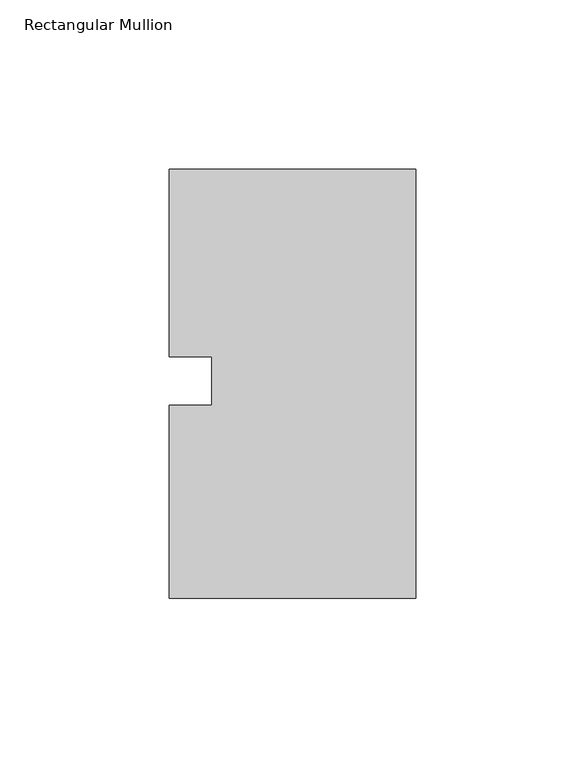
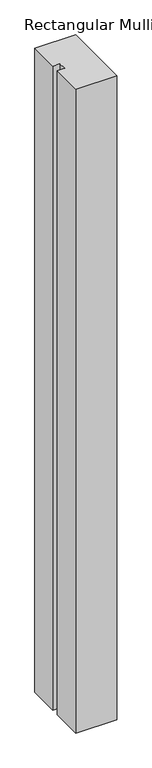
"""IFC4 building model written with IfcOpenShell, lengths in millimetres: member geometry, Rectangular Mullion."""

from ifc_helpers import new_model, si_unit, frame, origin, place, context, project, spatial, polyline, outline, extrude, source, transform, mapped, element, save


def rectangular_mullion_a18f72ee(model_context):
    return source(origin(), model_context, "Body", "SweptSolid", [
        extrude(outline(polyline([(-73.025, 62.70625), (0.0, 62.70625), (0.0, -64.29375), (-73.025, -64.29375), (-73.025, -7.14375), (-60.3232296, -7.14375), (-60.3232296, 7.14375), (-73.025, 7.14375), (-73.025, 62.70625)])), frame((0.0, 0.0, -1219.2), z_axis=(0.0, 0.0, 1.0), x_axis=(1.0, 0.0, 0.0)), (0.0, 0.0, 1.0), 1219.2),
    ])


if __name__ == "__main__":
    model = new_model("IFC4")
    model_context = context("Model", 3, world=origin())
    ifc_project = project(units=[si_unit("LENGTHUNIT", "METRE", prefix="MILLI")], contexts=[model_context])
    site = spatial("IfcSite", under=ifc_project)
    building = spatial("IfcBuilding", under=site)
    placement = place(None, origin())
    rectangular_mullion_shape = rectangular_mullion_a18f72ee(model_context)
    element("IfcMember", 1, ObjectType="Rectangular Mullion", at=placement, inside=building, context=model_context, shape_type="MappedRepresentation", body=[
        mapped(rectangular_mullion_shape, transform((0.0, 0.0, 0.0), x_axis=(1.0, 0.0, 0.0), y_axis=(0.0, 1.0, 0.0), z_axis=(0.0, 0.0, 1.0))),
    ])
    save(model, "model.ifc")
